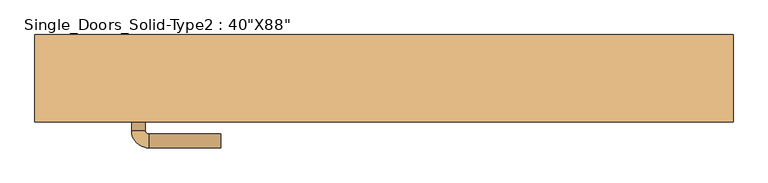
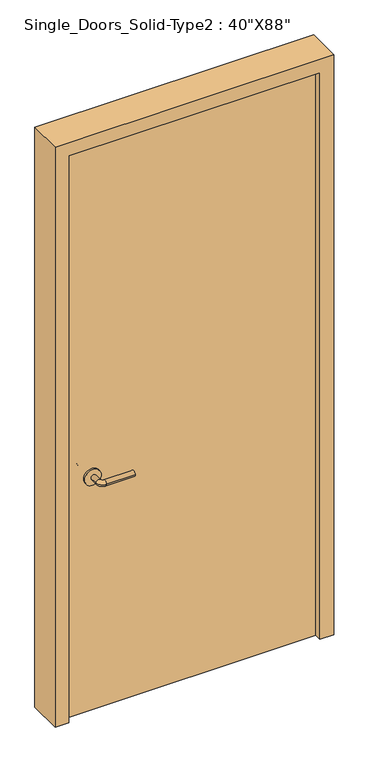
"""IFC4 building model written with IfcOpenShell, lengths in millimetres: door geometry."""

from ifc_helpers import new_model, si_unit, point, frame, frame_2d, origin, origin_with_axes, place, context, project, spatial, polyline, circle_curve, ellipse_curve, trimmed, segment, composite_curve, outline, extrude, source, transform, mapped, element, save
from ifc_brep_helpers import plane_surface, cylinder_surface, revolved_surface, advanced_brep


def door_7e7cbf8e(model_context):
    return source(origin(), model_context, "Body", "SolidModel", [
        advanced_brep(
        [(-367.2, -46.1, 900.0), (-347.2, -46.1, 900.0), (-347.2, -76.1, 900.0), (-367.2, -76.1, 900.0), (-342.2, -81.1, 900.0), (-342.2, -101.1, 900.0), (-237.2, -101.1, 900.0), (-237.2, -81.1, 900.0)],
        [
            (0, 1, circle_curve(frame((-357.2, -46.1, 900.0), z_axis=(0.0, 1.0, 0.0), x_axis=(1.0, 0.0, 0.0)), 10.0)),
            (1, 0, circle_curve(frame((-357.2, -46.1, 900.0), z_axis=(0.0, 1.0, 0.0), x_axis=(1.0, 0.0, 0.0)), 10.0)),
            (1, 2),
            (2, 3, circle_curve(frame((-357.2, -76.1, 900.0), z_axis=(0.0, 1.0, 0.0), x_axis=(1.0, 0.0, 0.0)), 10.0)),
            (3, 0),
            (3, 2, circle_curve(frame((-357.2, -76.1, 900.0), z_axis=(0.0, 1.0, 0.0), x_axis=(1.0, 0.0, 0.0)), 10.0)),
            (4, 5, circle_curve(frame((-342.2, -91.1, 900.0), z_axis=(-1.0, 0.0, 0.0), x_axis=(0.0, 1.0, 0.0)), 10.0)),
            (5, 3, circle_curve(frame((-342.2, -76.1, 900.0), z_axis=(0.0, 0.0, -1.0), x_axis=(-1.0, 0.0, 0.0)), 25.0)),
            (2, 4, circle_curve(frame((-342.2, -76.1, 900.0), z_axis=(0.0, 0.0, 1.0), x_axis=(-1.0, 0.0, 0.0)), 5.0)),
            (5, 4, circle_curve(frame((-342.2, -91.1, 900.0), z_axis=(-1.0, 0.0, 0.0), x_axis=(0.0, 1.0, 0.0)), 10.0)),
            (6, 7, circle_curve(frame((-237.2, -91.1, 900.0), z_axis=(1.0, 0.0, 0.0), x_axis=(0.0, 1.0, 0.0)), 10.0)),
            (7, 6, circle_curve(frame((-237.2, -91.1, 900.0), z_axis=(1.0, 0.0, 0.0), x_axis=(0.0, 1.0, 0.0)), 10.0)),
            (4, 7),
            (6, 5),
        ],
        [
            plane_surface(frame((-357.2, -46.1, 900.0), z_axis=(0.0, 1.0, 0.0), x_axis=(0.0, 0.0, 1.0))),
            cylinder_surface(frame((-357.2, -46.1, 900.0), z_axis=(0.0, 1.0, 0.0), x_axis=(1.0, 0.0, 0.0)), 10.0),
            revolved_surface(trimmed(ellipse_curve(frame((-357.2, -76.1, 900.0), z_axis=(0.0, -1.0, 0.0), x_axis=(1.0, 0.0, 0.0)), 10.0, 10.0), [point((-367.2, -76.1, 900.0))], [point((-347.2, -76.1, 900.0))], True, "CARTESIAN"), (-342.2, -76.1, 900.0), (0.0, 0.0, -1.0)),
            revolved_surface(trimmed(ellipse_curve(frame((-357.2, -76.1, 900.0), z_axis=(0.0, -1.0, 0.0), x_axis=(1.0, 0.0, 0.0)), 10.0, 10.0), [point((-347.2, -76.1, 900.0))], [point((-367.2, -76.1, 900.0))], True, "CARTESIAN"), (-342.2, -76.1, 900.0), (0.0, 0.0, -1.0)),
            plane_surface(frame((-237.2, -91.1, 900.0), z_axis=(1.0, 0.0, 0.0), x_axis=(0.0, 0.0, 1.0))),
            cylinder_surface(frame((-342.2, -91.1, 900.0), z_axis=(-1.0, 0.0, 0.0), x_axis=(0.0, 1.0, 0.0)), 10.0),
        ],
        [
            (0, [[1, 2]]),
            (1, [[3, 4, 5, -2]]),
            (1, [[-5, 6, -3, -1]]),
            (2, [[7, 8, -4, 9]]),
            (3, [[10, -9, -6, -8]]),
            (4, [[11, 12]]),
            (5, [[13, -11, 14, -7]]),
            (5, [[-14, -12, -13, -10]]),
        ],
    ),
        extrude(outline(composite_curve([segment(trimmed(circle_curve(frame_2d((900.0, -359.7)), 30.0), [point((900.0, -389.7))], [point((900.0, -329.7))], False, "CARTESIAN"), True, "CONTINUOUS"), segment(trimmed(circle_curve(frame_2d((900.0, -359.7)), 30.0), [point((900.0, -329.7))], [point((900.0, -389.7))], False, "CARTESIAN"), True, "CONTINUOUS")], self_intersect=False)), frame((0.0, -46.1, 0.0), z_axis=(0.0, 1.0, 0.0), x_axis=(0.0, 0.0, 1.0)), (0.0, 0.0, 1.0), 8.0),
        advanced_brep(
        [(-367.2, 8.0, 900.0), (-347.2, 8.0, 900.0), (-367.2, 38.0, 900.0), (-347.2, 38.0, 900.0), (-342.2, 43.0, 900.0), (-342.2, 63.0, 900.0), (-237.2, 63.0, 900.0), (-237.2, 43.0, 900.0)],
        [
            (0, 1, circle_curve(frame((-357.2, 8.0, 900.0), z_axis=(0.0, -1.0, 0.0), x_axis=(1.0, 0.0, 0.0)), 10.0)),
            (1, 0, circle_curve(frame((-357.2, 8.0, 900.0), z_axis=(0.0, -1.0, 0.0), x_axis=(1.0, 0.0, 0.0)), 10.0)),
            (0, 2),
            (2, 3, circle_curve(frame((-357.2, 38.0, 900.0), z_axis=(0.0, -1.0, 0.0), x_axis=(1.0, 0.0, 0.0)), 10.0)),
            (3, 1),
            (3, 2, circle_curve(frame((-357.2, 38.0, 900.0), z_axis=(0.0, -1.0, 0.0), x_axis=(1.0, 0.0, 0.0)), 10.0)),
            (4, 3, circle_curve(frame((-342.2, 38.0, 900.0), z_axis=(0.0, 0.0, 1.0), x_axis=(-1.0, 0.0, 0.0)), 5.0)),
            (2, 5, circle_curve(frame((-342.2, 38.0, 900.0), z_axis=(0.0, 0.0, -1.0), x_axis=(-1.0, 0.0, 0.0)), 25.0)),
            (5, 4, circle_curve(frame((-342.2, 53.0, 900.0), z_axis=(-1.0, 0.0, 0.0), x_axis=(0.0, -1.0, 0.0)), 10.0)),
            (4, 5, circle_curve(frame((-342.2, 53.0, 900.0), z_axis=(-1.0, 0.0, 0.0), x_axis=(0.0, -1.0, 0.0)), 10.0)),
            (6, 7, circle_curve(frame((-237.2, 53.0, 900.0), z_axis=(1.0, 0.0, 0.0), x_axis=(0.0, -1.0, 0.0)), 10.0)),
            (7, 6, circle_curve(frame((-237.2, 53.0, 900.0), z_axis=(1.0, 0.0, 0.0), x_axis=(0.0, -1.0, 0.0)), 10.0)),
            (5, 6),
            (7, 4),
        ],
        [
            plane_surface(frame((-357.2, 8.0, 900.0), z_axis=(0.0, -1.0, 0.0), x_axis=(0.0, 0.0, 1.0))),
            cylinder_surface(frame((-357.2, 8.0, 900.0), z_axis=(0.0, -1.0, 0.0), x_axis=(1.0, 0.0, 0.0)), 10.0),
            revolved_surface(trimmed(ellipse_curve(frame((-357.2, 38.0, 900.0), z_axis=(0.0, -1.0, 0.0), x_axis=(1.0, 0.0, 0.0)), 10.0, 10.0), [point((-367.2, 38.0, 900.0))], [point((-347.2, 38.0, 900.0))], True, "CARTESIAN"), (-342.2, 38.0, 900.0), (0.0, 0.0, -1.0)),
            revolved_surface(trimmed(ellipse_curve(frame((-357.2, 38.0, 900.0), z_axis=(0.0, -1.0, 0.0), x_axis=(1.0, 0.0, 0.0)), 10.0, 10.0), [point((-347.2, 38.0, 900.0))], [point((-367.2, 38.0, 900.0))], True, "CARTESIAN"), (-342.2, 38.0, 900.0), (0.0, 0.0, -1.0)),
            plane_surface(frame((-237.2, 53.0, 900.0), z_axis=(1.0, 0.0, 0.0), x_axis=(0.0, 0.0, 1.0))),
            cylinder_surface(frame((-342.2, 53.0, 900.0), z_axis=(-1.0, 0.0, 0.0), x_axis=(0.0, -1.0, 0.0)), 10.0),
        ],
        [
            (0, [[1, 2]]),
            (1, [[-1, 3, 4, 5]]),
            (1, [[-2, -5, 6, -3]]),
            (2, [[7, -4, 8, 9]]),
            (3, [[-8, -6, -7, 10]]),
            (4, [[11, 12]]),
            (5, [[-9, 13, -12, 14]]),
            (5, [[-10, -14, -11, -13]]),
        ],
    ),
        extrude(outline(composite_curve([segment(trimmed(circle_curve(frame_2d((900.0, -359.7)), 30.0), [point((900.0, -389.7))], [point((900.0, -329.7))], False, "CARTESIAN"), True, "CONTINUOUS"), segment(trimmed(circle_curve(frame_2d((900.0, -359.7)), 30.0), [point((900.0, -329.7))], [point((900.0, -389.7))], False, "CARTESIAN"), True, "CONTINUOUS")], self_intersect=False)), frame((0.0, 0.0, 0.0), z_axis=(0.0, 1.0, 0.0), x_axis=(0.0, 0.0, 1.0)), (0.0, 0.0, 1.0), 8.0),
        extrude(outline(polyline([(0.0, -508.0), (0.0, -457.2), (2184.4, -457.2), (2184.4, 457.2), (0.0, 457.2), (0.0, 508.0), (2235.2, 508.0), (2235.2, -508.0), (0.0, -508.0)])), frame((0.0, -63.5, 0.0), z_axis=(0.0, 1.0, 0.0), x_axis=(0.0, 0.0, 1.0)), (0.0, 0.0, 1.0), 127.0),
        extrude(outline(polyline([(457.2, -38.1), (-457.2, -38.1), (-457.2, 0.0), (457.2, 0.0), (457.2, -38.1)])), origin_with_axes(), (0.0, 0.0, 1.0), 2184.4),
    ])


if __name__ == "__main__":
    model = new_model("IFC4")
    model_context = context("Model", 3, world=origin())
    ifc_project = project(units=[si_unit("LENGTHUNIT", "METRE", prefix="MILLI")], contexts=[model_context])
    site = spatial("IfcSite", under=ifc_project)
    building = spatial("IfcBuilding", under=site)
    placement = place(None, origin())
    door_shape = door_7e7cbf8e(model_context)
    element("IfcDoor", 1, ObjectType="Single_Doors_Solid-Type2 : 40\"X88\"", at=placement, inside=building, context=model_context, shape_type="MappedRepresentation", body=[
        mapped(door_shape, transform((0.0, 0.0, 0.0), x_axis=(1.0, 0.0, 0.0), y_axis=(0.0, 1.0, 0.0), z_axis=(0.0, 0.0, 1.0))),
    ])
    save(model, "model.ifc")
